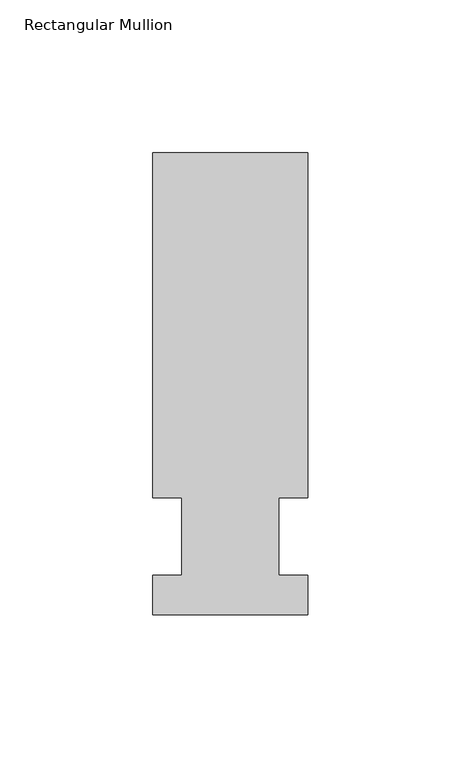
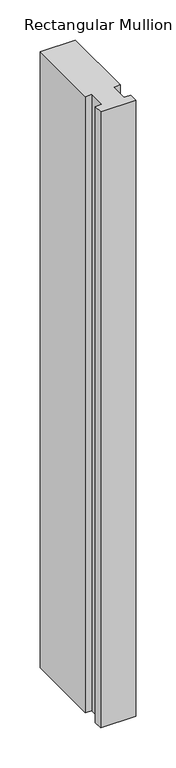
"""IFC4 building model written with IfcOpenShell, lengths in millimetres: member geometry, Rectangular Mullion."""

from ifc_helpers import new_model, si_unit, frame, origin, place, context, project, spatial, polyline, outline, extrude, source, transform, mapped, element, save


def rectangular_mullion_e6d76ea3(model_context):
    return source(origin(), model_context, "Body", "SweptSolid", [
        extrude(outline(polyline([(-25.4, -25.5984375), (-25.4, -12.7), (-15.875, -12.7), (-15.875, 12.7), (-25.4, 12.7), (-25.4, 125.6109375), (25.4, 125.6109375), (25.4, 12.7), (15.875, 12.7), (15.875, -12.7), (25.4, -12.7), (25.4, -25.5984375), (-25.4, -25.5984375)])), frame((0.0, 0.0, -939.8), z_axis=(0.0, 0.0, 1.0), x_axis=(1.0, 0.0, 0.0)), (0.0, 0.0, 1.0), 939.8),
    ])


if __name__ == "__main__":
    model = new_model("IFC4")
    model_context = context("Model", 3, world=origin())
    ifc_project = project(units=[si_unit("LENGTHUNIT", "METRE", prefix="MILLI")], contexts=[model_context])
    site = spatial("IfcSite", under=ifc_project)
    building = spatial("IfcBuilding", under=site)
    placement = place(None, origin())
    rectangular_mullion_shape = rectangular_mullion_e6d76ea3(model_context)
    element("IfcMember", 1, ObjectType="Rectangular Mullion", at=placement, inside=building, context=model_context, shape_type="MappedRepresentation", body=[
        mapped(rectangular_mullion_shape, transform((0.0, 0.0, 0.0), x_axis=(1.0, 0.0, 0.0), y_axis=(0.0, 1.0, 0.0), z_axis=(0.0, 0.0, 1.0))),
    ])
    save(model, "model.ifc")
